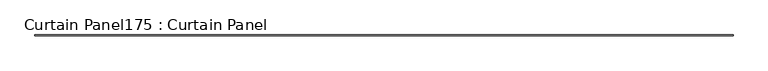
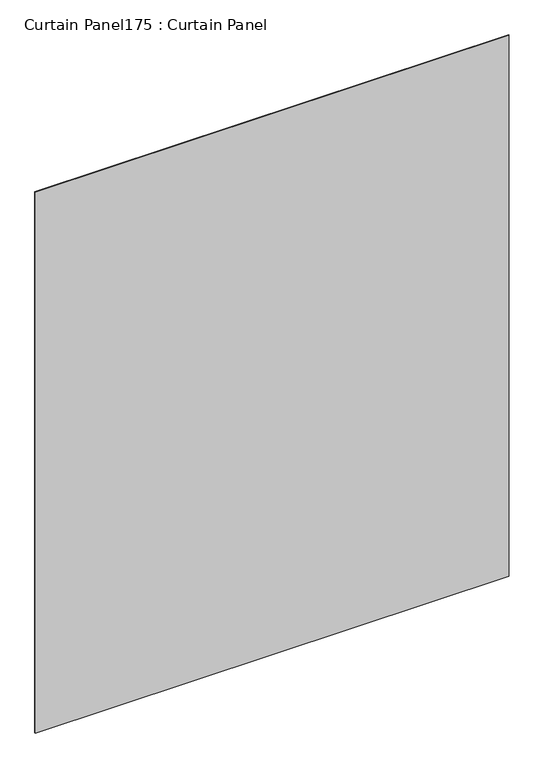
"""IFC4 building model written with IfcOpenShell, lengths in millimetres: plate geometry, Curtain Panel175 : Curtain Panel."""

from ifc_helpers import new_model, si_unit, frame, origin, place, context, project, spatial, polyline, outline, extrude, source, transform, mapped, element, save


def curtain_panel175_curtain_panel_99e74d71(model_context):
    return source(origin(), model_context, "Body", "SweptSolid", [
        extrude(outline(polyline([(546859.9957972, 2657.4439437), (529333.9957972, 2657.4439437), (529333.9957972, 2682.8439437), (546859.9957972, 2682.8439437), (546859.9957972, 2657.4439437)])), frame((0.0, 0.0, 4959.7989371), z_axis=(0.0, 0.0, 1.0), x_axis=(1.0, 0.0, 0.0)), (0.0, 0.0, 1.0), 21130.6734256),
    ])


if __name__ == "__main__":
    model = new_model("IFC4")
    model_context = context("Model", 3, world=origin())
    ifc_project = project(units=[si_unit("LENGTHUNIT", "METRE", prefix="MILLI")], contexts=[model_context])
    site = spatial("IfcSite", under=ifc_project)
    building = spatial("IfcBuilding", under=site)
    placement = place(None, origin())
    curtain_panel175_curtain_panel_shape = curtain_panel175_curtain_panel_99e74d71(model_context)
    element("IfcPlate", 1, ObjectType="Curtain Panel175 : Curtain Panel", at=placement, inside=building, context=model_context, shape_type="MappedRepresentation", body=[
        mapped(curtain_panel175_curtain_panel_shape, transform((0.0, 0.0, 0.0), x_axis=(1.0, 0.0, 0.0), y_axis=(0.0, 1.0, 0.0), z_axis=(0.0, 0.0, 1.0))),
    ])
    save(model, "model.ifc")
